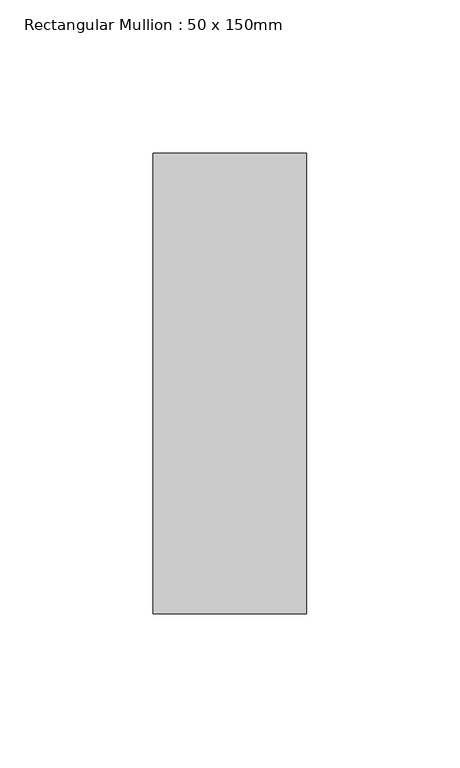
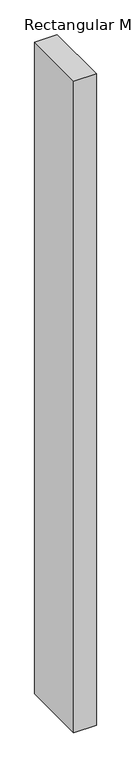
"""IFC4 building model written with IfcOpenShell, lengths in millimetres: member geometry, Rectangular Mullion : 50 x 150mm."""

from ifc_helpers import new_model, si_unit, frame, origin, place, context, project, spatial, polyline, outline, extrude, source, transform, mapped, element, save


def rectangular_mullion_50_x_150mm_a9915b7a(model_context):
    return source(origin(), model_context, "Body", "SweptSolid", [
        extrude(outline(polyline([(0.0, 75.0), (0.0, -75.0), (-50.0, -75.0), (-50.0, 75.0), (0.0, 75.0)])), frame((0.0, 0.0, -1527.8425369), z_axis=(0.0, 0.0, 1.0), x_axis=(1.0, 0.0, 0.0)), (0.0, 0.0, 1.0), 1527.8425369),
    ])


if __name__ == "__main__":
    model = new_model("IFC4")
    model_context = context("Model", 3, world=origin())
    ifc_project = project(units=[si_unit("LENGTHUNIT", "METRE", prefix="MILLI")], contexts=[model_context])
    site = spatial("IfcSite", under=ifc_project)
    building = spatial("IfcBuilding", under=site)
    placement = place(None, origin())
    rectangular_mullion_50_x_150mm_shape = rectangular_mullion_50_x_150mm_a9915b7a(model_context)
    element("IfcMember", 1, ObjectType="Rectangular Mullion : 50 x 150mm", at=placement, inside=building, context=model_context, shape_type="MappedRepresentation", body=[
        mapped(rectangular_mullion_50_x_150mm_shape, transform((0.0, 0.0, 0.0), x_axis=(1.0, 0.0, 0.0), y_axis=(0.0, 1.0, 0.0), z_axis=(0.0, 0.0, 1.0))),
    ])
    save(model, "model.ifc")
